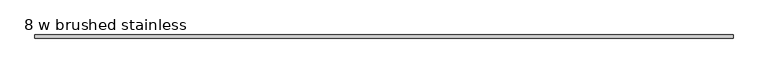
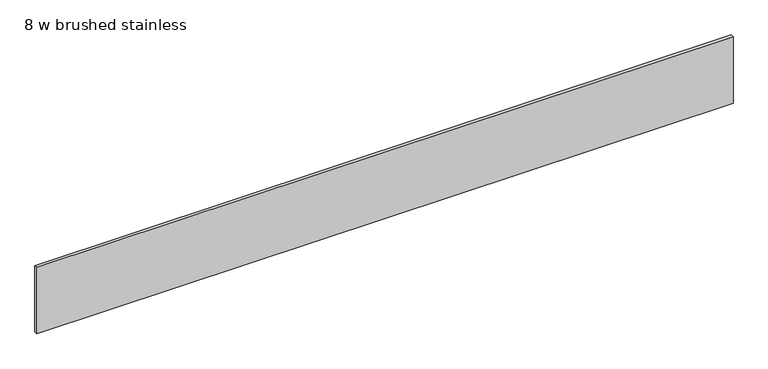
"""IFC4 building model written with IfcOpenShell, lengths in millimetres: furniture geometry, 8 w brushed stainless."""

from ifc_helpers import new_model, si_unit, origin, origin_with_axes, place, context, project, spatial, polyline, outline, extrude, source, transform, mapped, element, save


def furniture_8_w_brushed_stainless_0c95d7e3(model_context):
    return source(origin(), model_context, "Body", "SweptSolid", [
        extrude(outline(polyline([(0.5999988, 0.0), (0.5999988, 10.9999997), (2437.8000366, 10.9999997), (2437.8000366, 0.0), (0.5999988, 0.0)])), origin_with_axes(), (0.0, 0.0, 1.0), 245.349995),
    ])


if __name__ == "__main__":
    model = new_model("IFC4")
    model_context = context("Model", 3, world=origin())
    ifc_project = project(units=[si_unit("LENGTHUNIT", "METRE", prefix="MILLI")], contexts=[model_context])
    site = spatial("IfcSite", under=ifc_project)
    building = spatial("IfcBuilding", under=site)
    placement = place(None, origin())
    furniture_8_w_brushed_stainless_shape = furniture_8_w_brushed_stainless_0c95d7e3(model_context)
    element("IfcFurniture", 1, ObjectType="8 w brushed stainless", at=placement, inside=building, context=model_context, shape_type="MappedRepresentation", body=[
        mapped(furniture_8_w_brushed_stainless_shape, transform((0.0, 0.0, 0.0), x_axis=(1.0, 0.0, 0.0), y_axis=(0.0, 1.0, 0.0), z_axis=(0.0, 0.0, 1.0))),
    ])
    save(model, "model.ifc")
